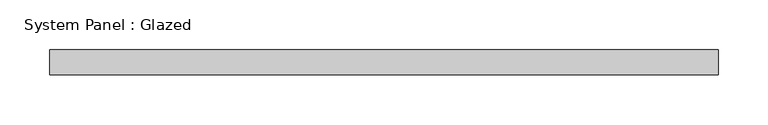
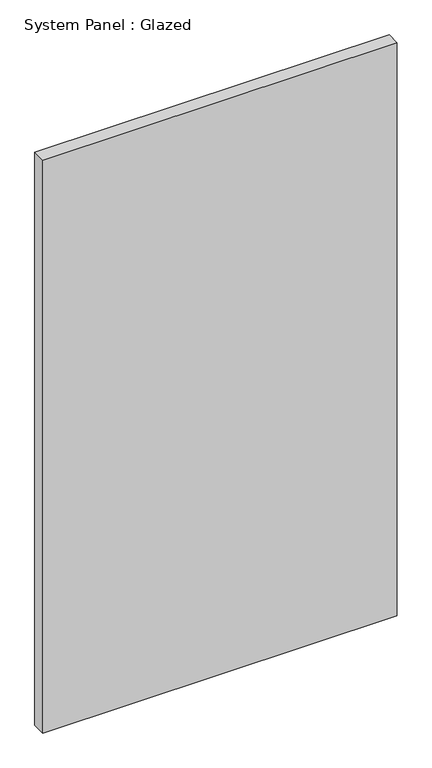
"""IFC4 building model written with IfcOpenShell, lengths in millimetres: plate geometry, System Panel : Glazed."""

from ifc_helpers import new_model, si_unit, origin, origin_with_axes, place, context, project, spatial, polyline, outline, extrude, source, transform, mapped, element, save


def system_panel_glazed_f4672d90(model_context):
    return source(origin(), model_context, "Body", "SweptSolid", [
        extrude(outline(polyline([(336.1362871, -12.7), (-336.1362871, -12.7), (-336.1362871, 12.7), (336.1362871, 12.7), (336.1362871, -12.7)])), origin_with_axes(), (0.0, 0.0, 1.0), 1148.5626254),
    ])


if __name__ == "__main__":
    model = new_model("IFC4")
    model_context = context("Model", 3, world=origin())
    ifc_project = project(units=[si_unit("LENGTHUNIT", "METRE", prefix="MILLI")], contexts=[model_context])
    site = spatial("IfcSite", under=ifc_project)
    building = spatial("IfcBuilding", under=site)
    placement = place(None, origin())
    system_panel_glazed_shape = system_panel_glazed_f4672d90(model_context)
    element("IfcPlate", 1, ObjectType="System Panel : Glazed", at=placement, inside=building, context=model_context, shape_type="MappedRepresentation", body=[
        mapped(system_panel_glazed_shape, transform((0.0, 0.0, 0.0), x_axis=(1.0, 0.0, 0.0), y_axis=(0.0, 1.0, 0.0), z_axis=(0.0, 0.0, 1.0))),
    ])
    save(model, "model.ifc")
